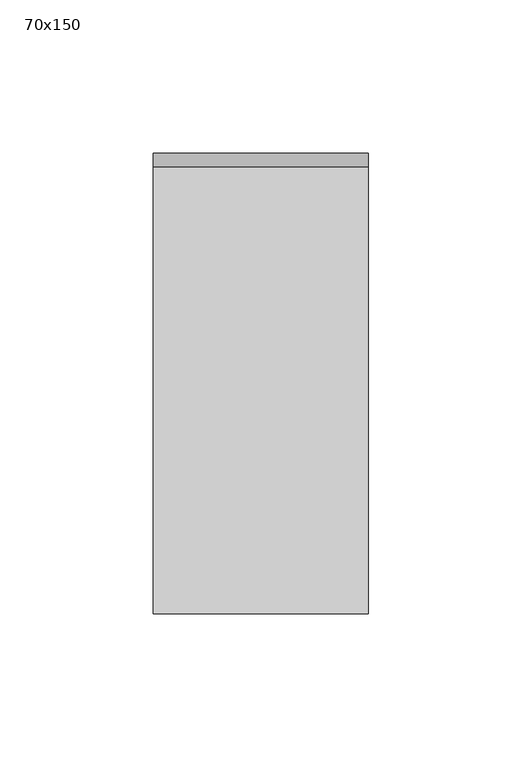
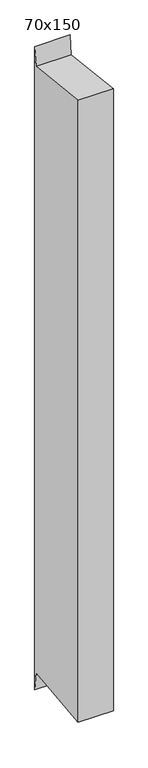
"""IFC4 building model written with IfcOpenShell, lengths in millimetres: member geometry, 70x150."""

from ifc_helpers import new_model, si_unit, frame, origin, place, context, project, spatial, polyline, outline, extrude, source, transform, mapped, element, save


def member_70x150_a785b71b(model_context):
    return source(origin(), model_context, "Body", "SweptSolid", [
        extrude(outline(polyline([(-75.0, 8.1977368), (70.6284068, -8.1465891), (75.0, 30.80443), (75.0, -1323.6902019), (70.6284068, -1284.7391828), (-75.0, -1301.0835087), (-75.0, 8.1977368)])), frame((-70.0, 0.0, 0.0), z_axis=(1.0, 0.0, 0.0), x_axis=(0.0, 1.0, 0.0)), (0.0, 0.0, 1.0), 70.0),
    ])


if __name__ == "__main__":
    model = new_model("IFC4")
    model_context = context("Model", 3, world=origin())
    ifc_project = project(units=[si_unit("LENGTHUNIT", "METRE", prefix="MILLI")], contexts=[model_context])
    site = spatial("IfcSite", under=ifc_project)
    building = spatial("IfcBuilding", under=site)
    placement = place(None, origin())
    member_70x150_shape = member_70x150_a785b71b(model_context)
    element("IfcMember", 1, ObjectType="70x150", at=placement, inside=building, context=model_context, shape_type="MappedRepresentation", body=[
        mapped(member_70x150_shape, transform((0.0, 0.0, 0.0), x_axis=(1.0, 0.0, 0.0), y_axis=(0.0, 1.0, 0.0), z_axis=(0.0, 0.0, 1.0))),
    ])
    save(model, "model.ifc")
